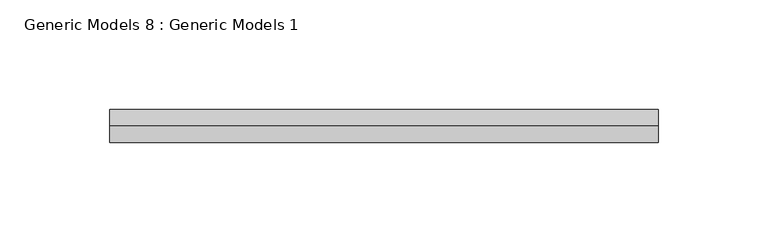
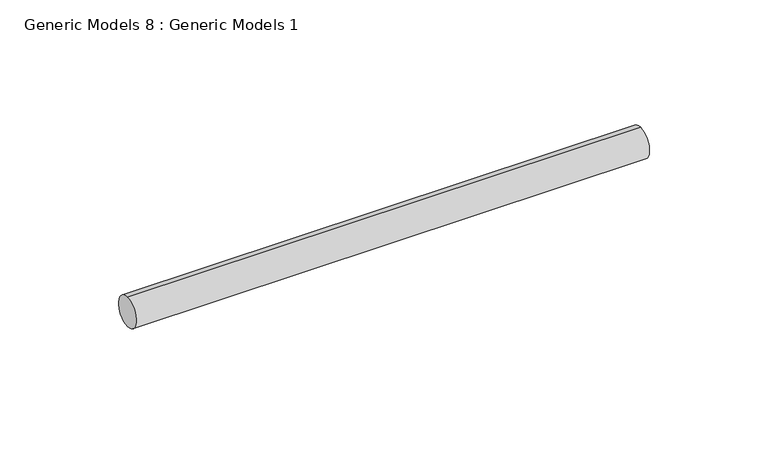
"""IFC4 building model written with IfcOpenShell, lengths in millimetres: proxy geometry, Generic Models 8 : Generic Models 1."""

from ifc_helpers import new_model, si_unit, point, frame, frame_2d, origin, place, context, project, spatial, circle_curve, trimmed, segment, composite_curve, outline, extrude, source, transform, mapped, element, save


def generic_models_8_generic_models_1_fe4fbcaa(model_context):
    return source(origin(), model_context, "Body", "SweptSolid", [
        extrude(outline(composite_curve([segment(trimmed(circle_curve(frame_2d((400.3057469, -814.107223)), 7.5), [point((400.3057469, -821.607223))], [point((400.3057469, -806.607223))], False, "CARTESIAN"), True, "CONTINUOUS"), segment(trimmed(circle_curve(frame_2d((400.3057469, -814.107223)), 7.5), [point((400.3057469, -806.607223))], [point((400.3057469, -821.607223))], False, "CARTESIAN"), True, "CONTINUOUS")], self_intersect=False)), frame((4134.4296146, 0.0, 0.0), z_axis=(1.0, 0.0, 0.0), x_axis=(0.0, 1.0, 0.0)), (0.0, 0.0, 1.0), 249.8000142),
    ])


if __name__ == "__main__":
    model = new_model("IFC4")
    model_context = context("Model", 3, world=origin())
    ifc_project = project(units=[si_unit("LENGTHUNIT", "METRE", prefix="MILLI")], contexts=[model_context])
    site = spatial("IfcSite", under=ifc_project)
    building = spatial("IfcBuilding", under=site)
    placement = place(None, origin())
    generic_models_8_generic_models_1_shape = generic_models_8_generic_models_1_fe4fbcaa(model_context)
    element("IfcBuildingElementProxy", 1, Name="Generic Models 8 : Generic Models 1", ObjectType="Generic Models 8 : Generic Models 1", at=placement, inside=building, context=model_context, shape_type="MappedRepresentation", body=[
        mapped(generic_models_8_generic_models_1_shape, transform((0.0, 0.0, 0.0), x_axis=(1.0, 0.0, 0.0), y_axis=(0.0, 1.0, 0.0), z_axis=(0.0, 0.0, 1.0))),
    ])
    save(model, "model.ifc")
